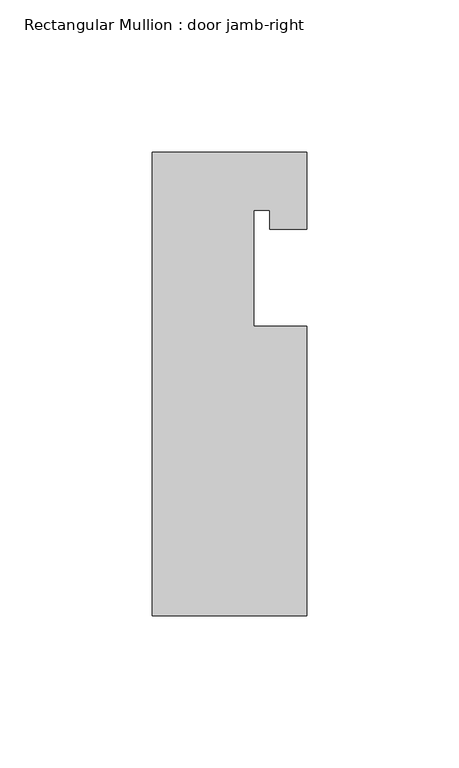
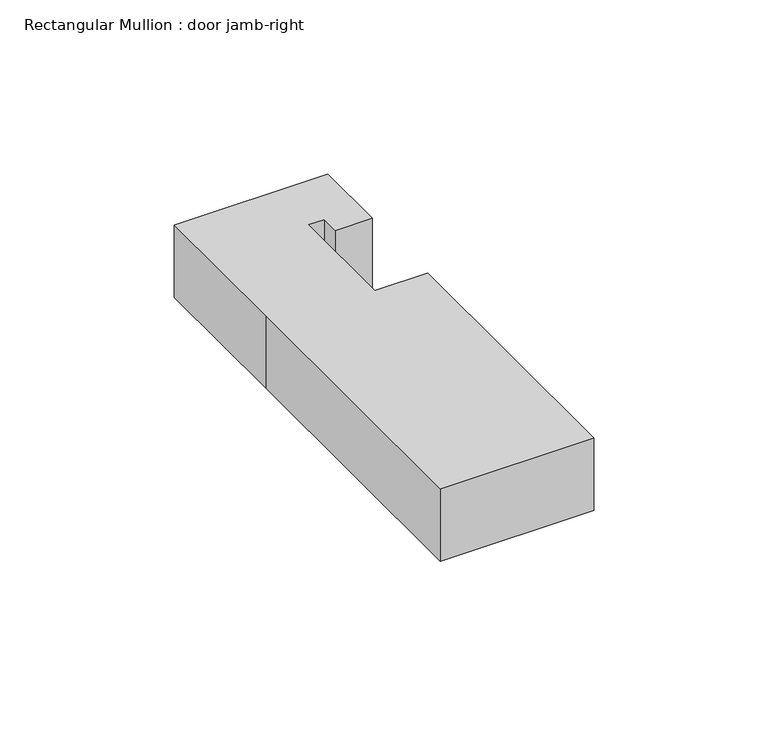
"""IFC4 building model written with IfcOpenShell, lengths in millimetres: member geometry, Rectangular Mullion : door jamb-right."""

from ifc_helpers import new_model, si_unit, frame, origin, place, context, project, spatial, polyline, outline, extrude, source, transform, mapped, element, save


def rectangular_mullion_door_jamb_right_165329c8(model_context):
    return source(origin(), model_context, "Body", "SweptSolid", [
        extrude(outline(polyline([(25.4, -146.05), (-25.4, -146.05), (-25.4, -45.8947778), (-25.4, 6.35), (25.4, 6.35), (25.4, -19.05), (13.208, -19.05), (13.208, -12.7), (7.9502, -12.7), (7.9502, -50.8), (25.4, -50.8), (25.4, -146.05)])), frame((0.0, 0.0, -25.4), z_axis=(0.0, 0.0, 1.0), x_axis=(1.0, 0.0, 0.0)), (0.0, 0.0, 1.0), 25.4),
    ])


if __name__ == "__main__":
    model = new_model("IFC4")
    model_context = context("Model", 3, world=origin())
    ifc_project = project(units=[si_unit("LENGTHUNIT", "METRE", prefix="MILLI")], contexts=[model_context])
    site = spatial("IfcSite", under=ifc_project)
    building = spatial("IfcBuilding", under=site)
    placement = place(None, origin())
    rectangular_mullion_door_jamb_right_shape = rectangular_mullion_door_jamb_right_165329c8(model_context)
    element("IfcMember", 1, ObjectType="Rectangular Mullion : door jamb-right", at=placement, inside=building, context=model_context, shape_type="MappedRepresentation", body=[
        mapped(rectangular_mullion_door_jamb_right_shape, transform((0.0, 0.0, 0.0), x_axis=(1.0, 0.0, 0.0), y_axis=(0.0, 1.0, 0.0), z_axis=(0.0, 0.0, 1.0))),
    ])
    save(model, "model.ifc")
